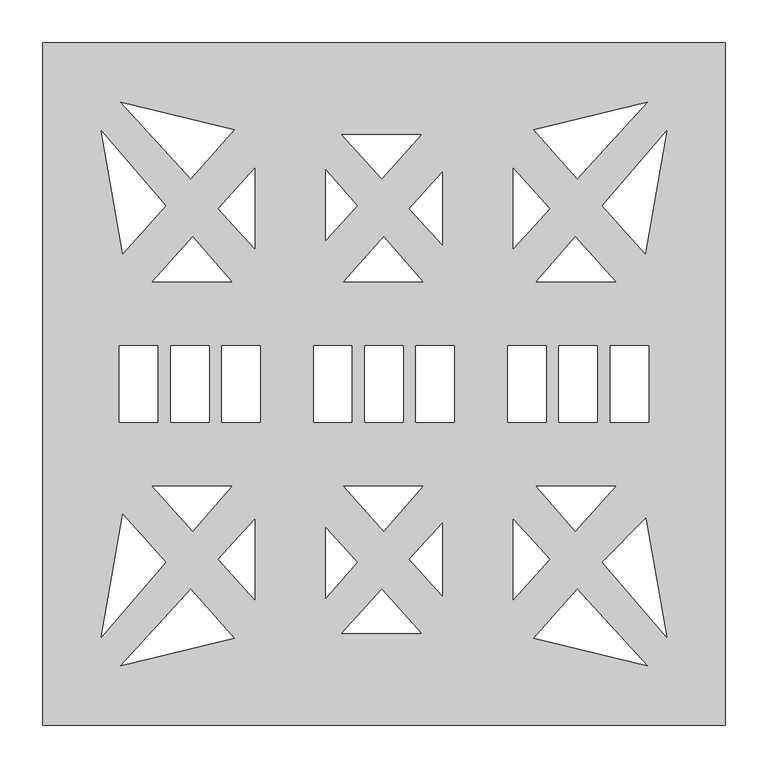
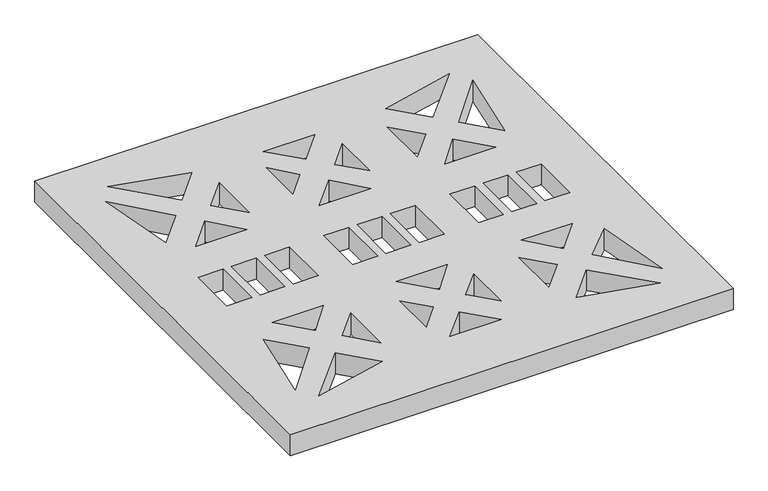
"""IFC4 building model written with IfcOpenShell, lengths in millimetres: proxy geometry."""

from ifc_helpers import new_model, si_unit, origin, origin_with_axes, place, context, project, spatial, polyline, outline, extrude, source, transform, mapped, element, save


def specialty_equipment_53a6840b(model_context):
    return source(origin(), model_context, "Body", "SweptSolid", [
        extrude(outline(polyline([(-757.5, -400.0), (-1557.5, -400.0), (-1557.5, 400.0), (-757.5, 400.0), (-757.5, -400.0)]), holes=[polyline([(-847.5, -45.0), (-847.5, 45.0), (-892.5, 45.0), (-892.5, -45.0), (-847.5, -45.0)]), polyline([(-851.2986043, 152.7443943), (-825.906971, 296.5812014), (-901.917, 208.823), (-851.2986043, 152.7443943)]), polyline([(-825.906971, -296.5812014), (-850.4793351, -157.3853351), (-901.917, -208.823), (-825.906971, -296.5812014)]), polyline([(-907.5, -45.0), (-907.5, 45.0), (-952.5, 45.0), (-952.5, -45.0), (-907.5, -45.0)]), polyline([(-933.436, -172.433), (-886.1361128, -120.0), (-978.8491086, -120.0), (-933.436, -172.433)]), polyline([(-886.1361128, 120.0), (-933.436, 172.433), (-978.8491086, 120.0), (-886.1361128, 120.0)]), polyline([(-849.0012776, -330.2781888), (-930.75, -240.766), (-982.1888248, -297.7536617), (-849.0012776, -330.2781888)]), polyline([(-930.75, 240.766), (-849.0012776, 330.2781888), (-982.1888248, 297.7536617), (-930.75, 240.766)]), polyline([(-963.112, -205.33), (-1005.75, -158.6430529), (-1005.75, -252.5931058), (-963.112, -205.33)]), polyline([(-1005.75, 158.6430529), (-963.112, 205.33), (-1005.75, 252.5931058), (-1005.75, 158.6430529)]), polyline([(-967.5, -45.0), (-967.5, 45.0), (-1012.5, 45.0), (-1012.5, -45.0), (-967.5, -45.0)]), polyline([(-1075.0, -45.0), (-1075.0, 45.0), (-1120.0, 45.0), (-1120.0, -45.0), (-1075.0, -45.0)]), polyline([(-1089.25, 163.0228969), (-1089.25, 248.1592106), (-1127.888, 205.33), (-1089.25, 163.0228969)]), polyline([(-1089.25, -248.1592106), (-1089.25, -163.0228969), (-1127.888, -205.33), (-1089.25, -248.1592106)]), polyline([(-1135.0, -45.0), (-1135.0, 45.0), (-1180.0, 45.0), (-1180.0, -45.0), (-1135.0, -45.0)]), polyline([(-1157.564, -172.433), (-1112.1508914, -120.0), (-1204.8638872, -120.0), (-1157.564, -172.433)]), polyline([(-1112.1508914, 120.0), (-1157.564, 172.433), (-1204.8638872, 120.0), (-1112.1508914, 120.0)]), polyline([(-1114.0046081, -292.0), (-1160.25, -240.766), (-1207.0404327, -292.0), (-1114.0046081, -292.0)]), polyline([(-1160.25, 240.766), (-1114.0046081, 292.0), (-1207.0404327, 292.0), (-1160.25, 240.766)]), polyline([(-1225.75, -251.1572816), (-1189.083, -208.823), (-1225.75, -168.2007281), (-1225.75, -251.1572816)]), polyline([(-1189.083, 208.823), (-1225.75, 251.1572816), (-1225.75, 168.2007281), (-1189.083, 208.823)]), polyline([(-1195.0, -45.0), (-1195.0, 45.0), (-1240.0, 45.0), (-1240.0, -45.0), (-1195.0, -45.0)]), polyline([(-1302.5, -45.0), (-1302.5, 45.0), (-1347.5, 45.0), (-1347.5, -45.0), (-1302.5, -45.0)]), polyline([(-1309.25, 158.6430529), (-1309.25, 252.5931058), (-1351.888, 205.33), (-1309.25, 158.6430529)]), polyline([(-1309.25, -252.5931058), (-1309.25, -158.6430529), (-1351.888, -205.33), (-1309.25, -252.5931058)]), polyline([(-1362.5, -45.0), (-1362.5, 45.0), (-1407.5, 45.0), (-1407.5, -45.0), (-1362.5, -45.0)]), polyline([(-1381.564, -172.433), (-1336.1508914, -120.0), (-1428.8638872, -120.0), (-1381.564, -172.433)]), polyline([(-1336.1508914, 120.0), (-1381.564, 172.433), (-1428.8638872, 120.0), (-1336.1508914, 120.0)]), polyline([(-1332.8111752, -297.7536617), (-1384.25, -240.766), (-1465.9987224, -330.2781888), (-1332.8111752, -297.7536617)]), polyline([(-1384.25, 240.766), (-1332.8111752, 297.7536617), (-1465.9987224, 330.2781888), (-1384.25, 240.766)]), polyline([(-1422.5, -45.0), (-1422.5, 45.0), (-1467.5, 45.0), (-1467.5, -45.0), (-1422.5, -45.0)]), polyline([(-1413.083, -208.823), (-1463.7013957, -152.7443943), (-1489.093029, -296.5812014), (-1413.083, -208.823)]), polyline([(-1463.7013957, 152.7443943), (-1413.083, 208.823), (-1489.093029, 296.5812014), (-1463.7013957, 152.7443943)])]), origin_with_axes(), (0.0, 0.0, 1.0), 40.0),
    ])


if __name__ == "__main__":
    model = new_model("IFC4")
    model_context = context("Model", 3, world=origin())
    ifc_project = project(units=[si_unit("LENGTHUNIT", "METRE", prefix="MILLI")], contexts=[model_context])
    site = spatial("IfcSite", under=ifc_project)
    building = spatial("IfcBuilding", under=site)
    placement = place(None, origin())
    specialty_equipment_shape = specialty_equipment_53a6840b(model_context)
    element("IfcBuildingElementProxy", 1, Name="Specialty Equipment", at=placement, inside=building, context=model_context, shape_type="MappedRepresentation", body=[
        mapped(specialty_equipment_shape, transform((0.0, 0.0, 0.0), x_axis=(1.0, 0.0, 0.0), y_axis=(0.0, 1.0, 0.0), z_axis=(0.0, 0.0, 1.0))),
    ])
    save(model, "model.ifc")
